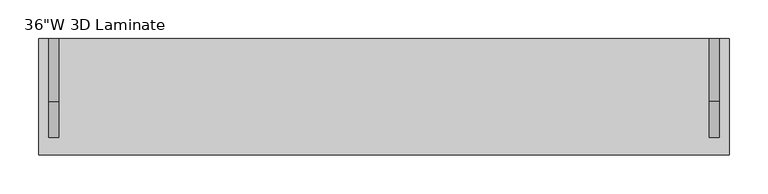
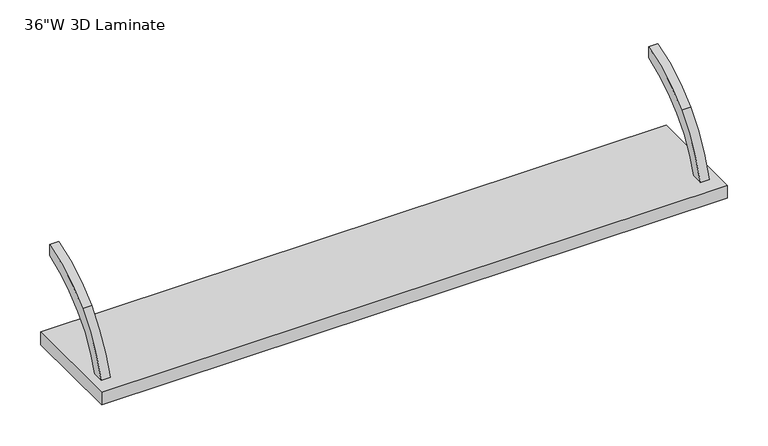
"""IFC4 building model written with IfcOpenShell, lengths in millimetres: furniture geometry."""

from ifc_helpers import new_model, si_unit, point, frame, frame_2d, origin, place, context, project, spatial, polyline, circle_curve, trimmed, segment, composite_curve, outline, extrude, source, transform, mapped, element, save


def furniture_e91efa52(model_context):
    return source(origin(), model_context, "Body", "SweptSolid", [
        extrude(outline(composite_curve([segment(polyline([(-21.75256, 1074.7938619), (-21.75256, 1058.2080334)]), True, "CONTINUOUS"), segment(trimmed(circle_curve(frame_2d((31.2350706, 888.9332038)), 177.3743412), [point((-21.75256, 1058.2080334))], [point((-91.5649658, 1016.924641))], True, "CARTESIAN"), True, "CONTINUOUS"), segment(trimmed(circle_curve(frame_2d((14.1297346, 906.761672)), 152.6671197), [point((-91.5649658, 1016.924641))], [point((-132.8646554, 947.9915))], True, "CARTESIAN"), True, "CONTINUOUS"), segment(polyline([(-132.8646554, 947.9915), (-149.4341867, 947.9915)]), True, "CONTINUOUS"), segment(trimmed(circle_curve(frame_2d((41.312225, 891.180367)), 199.0268786), [point((-149.4341867, 947.9915))], [point((-102.9422911, 1028.3019663))], False, "CARTESIAN"), True, "CONTINUOUS"), segment(trimmed(circle_curve(frame_2d((15.3556483, 915.8534754)), 163.2147835), [point((-102.9422911, 1028.3019663))], [point((-21.75256, 1074.7938619))], False, "CARTESIAN"), True, "CONTINUOUS")], self_intersect=False)), frame((437.8663384, 0.0, 0.0), z_axis=(1.0, 0.0, 0.0), x_axis=(0.0, 1.0, 0.0)), (0.0, 0.0, 1.0), 12.7),
        extrude(outline(composite_curve([segment(trimmed(circle_curve(frame_2d((15.3556483, 915.8534754)), 163.2147835), [point((-102.9422911, 1028.3019663))], [point((-21.75256, 1074.7938619))], False, "CARTESIAN"), True, "CONTINUOUS"), segment(polyline([(-21.75256, 1074.7938619), (-21.75256, 1058.2080334)]), True, "CONTINUOUS"), segment(trimmed(circle_curve(frame_2d((31.2350706, 888.9332038)), 177.3743412), [point((-21.75256, 1058.2080334))], [point((-91.5649658, 1016.924641))], True, "CARTESIAN"), True, "CONTINUOUS"), segment(trimmed(circle_curve(frame_2d((14.1297346, 906.761672)), 152.6671197), [point((-91.5649658, 1016.924641))], [point((-132.8646554, 947.9915))], True, "CARTESIAN"), True, "CONTINUOUS"), segment(polyline([(-132.8646554, 947.9915), (-149.4341867, 947.9915)]), True, "CONTINUOUS"), segment(trimmed(circle_curve(frame_2d((41.312225, 891.180367)), 199.0268786), [point((-149.4341867, 947.9915))], [point((-102.9422911, 1028.3019663))], False, "CARTESIAN"), True, "CONTINUOUS")], self_intersect=False)), frame((-413.0909286, 0.0, 0.0), z_axis=(1.0, 0.0, 0.0), x_axis=(0.0, 1.0, 0.0)), (0.0, 0.0, 1.0), 12.7),
        extrude(outline(polyline([(463.2377049, -21.75256), (463.2377049, -171.5728725), (-425.7622951, -171.5728725), (-425.7622951, -21.75256), (463.2377049, -21.75256)])), frame((0.0, 0.0, 928.9422994), z_axis=(0.0, 0.0, 1.0), x_axis=(1.0, 0.0, 0.0)), (0.0, 0.0, 1.0), 19.0492006),
    ])


if __name__ == "__main__":
    model = new_model("IFC4")
    model_context = context("Model", 3, world=origin())
    ifc_project = project(units=[si_unit("LENGTHUNIT", "METRE", prefix="MILLI")], contexts=[model_context])
    site = spatial("IfcSite", under=ifc_project)
    building = spatial("IfcBuilding", under=site)
    placement = place(None, origin())
    furniture_shape = furniture_e91efa52(model_context)
    element("IfcFurniture", 1, ObjectType="36\"W 3D Laminate", at=placement, inside=building, context=model_context, shape_type="MappedRepresentation", body=[
        mapped(furniture_shape, transform((0.0, 0.0, 0.0), x_axis=(1.0, 0.0, 0.0), y_axis=(0.0, 1.0, 0.0), z_axis=(0.0, 0.0, 1.0))),
    ])
    save(model, "model.ifc")
